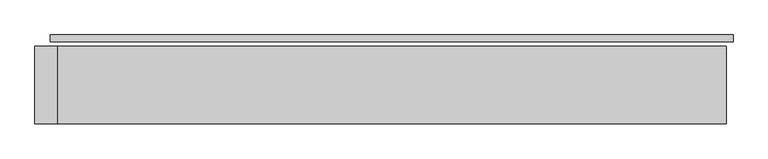
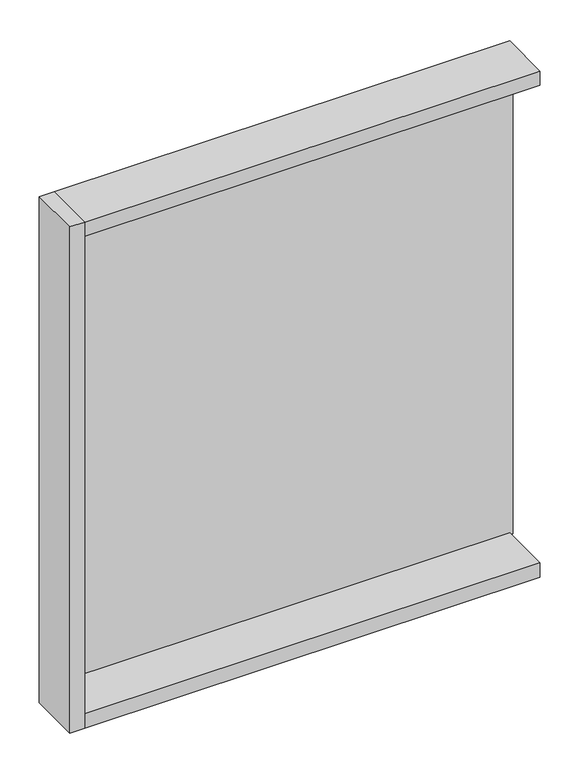
"""IFC4 building model written with IfcOpenShell, lengths in millimetres: plate geometry."""

from ifc_helpers import new_model, si_unit, frame, origin, origin_with_axes, place, context, project, spatial, polyline, outline, extrude, source, transform, mapped, element, save


def plate_a8f90a4d(model_context):
    return source(origin(), model_context, "Body", "SweptSolid", [
        extrude(outline(polyline([(1235.0, 0.0), (1235.0, -25.0), (-1235.0, -25.0), (-1235.0, 0.0), (1235.0, 0.0)])), origin_with_axes(), (0.0, 0.0, 1.0), 2732.0),
        extrude(outline(polyline([(-1210.0, -41.0), (-1210.0, -321.0), (-1290.0, -321.0), (-1290.0, -41.0), (-1210.0, -41.0)])), frame((0.0, 0.0, -55.0), z_axis=(0.0, 0.0, 1.0), x_axis=(1.0, 0.0, 0.0)), (0.0, 0.0, 1.0), 2842.0),
        extrude(outline(polyline([(1210.0, -321.0), (-1210.0, -321.0), (-1210.0, -41.0), (1210.0, -41.0), (1210.0, -321.0)])), frame((0.0, 0.0, -55.0), z_axis=(0.0, 0.0, 1.0), x_axis=(1.0, 0.0, 0.0)), (0.0, 0.0, 1.0), 80.0),
        extrude(outline(polyline([(1210.0, -41.0), (1210.0, -321.0), (-1210.0, -321.0), (-1210.0, -41.0), (1210.0, -41.0)])), frame((0.0, 0.0, 2707.0), z_axis=(0.0, 0.0, 1.0), x_axis=(1.0, 0.0, 0.0)), (0.0, 0.0, 1.0), 80.0),
    ])


if __name__ == "__main__":
    model = new_model("IFC4")
    model_context = context("Model", 3, world=origin())
    ifc_project = project(units=[si_unit("LENGTHUNIT", "METRE", prefix="MILLI")], contexts=[model_context])
    site = spatial("IfcSite", under=ifc_project)
    building = spatial("IfcBuilding", under=site)
    placement = place(None, origin())
    plate_shape = plate_a8f90a4d(model_context)
    element("IfcPlate", 1, at=placement, inside=building, context=model_context, shape_type="MappedRepresentation", body=[
        mapped(plate_shape, transform((0.0, 0.0, 0.0), x_axis=(1.0, 0.0, 0.0), y_axis=(0.0, 1.0, 0.0), z_axis=(0.0, 0.0, 1.0))),
    ])
    save(model, "model.ifc")
